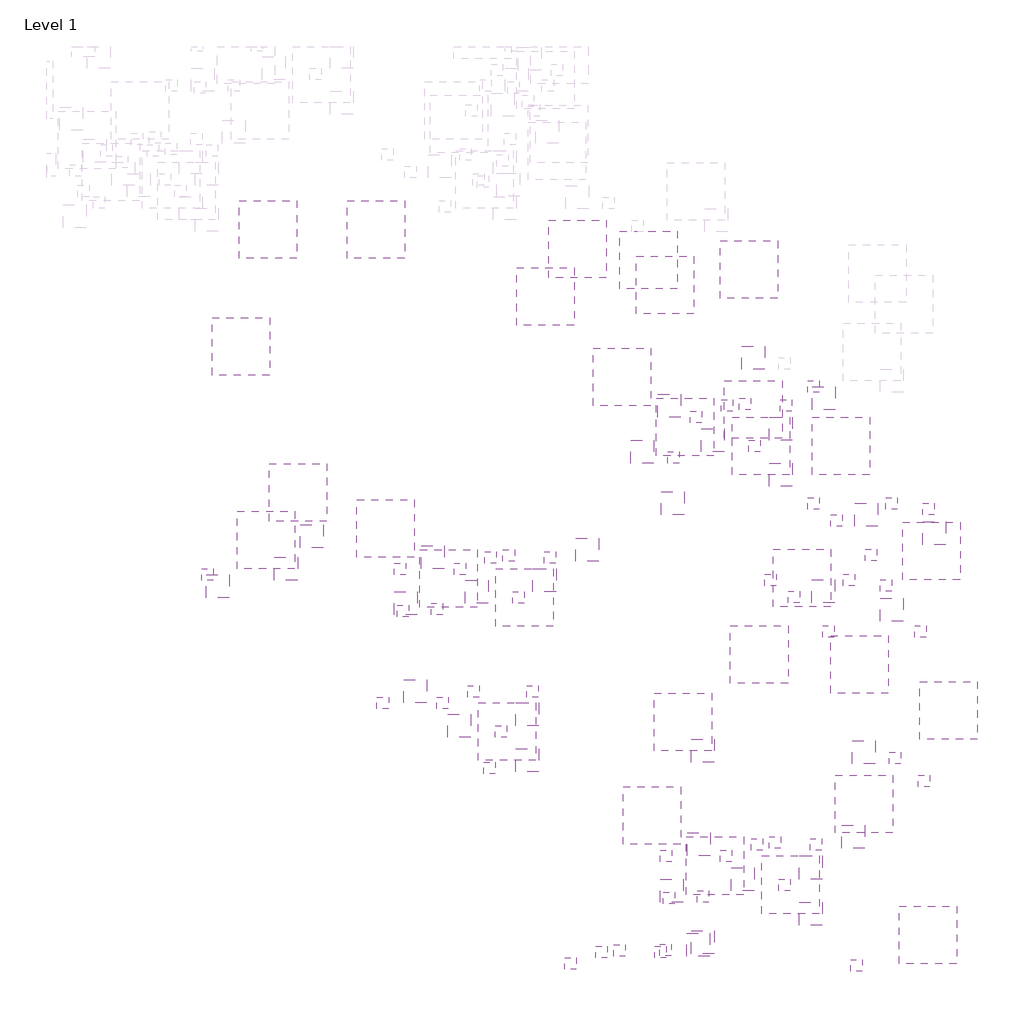
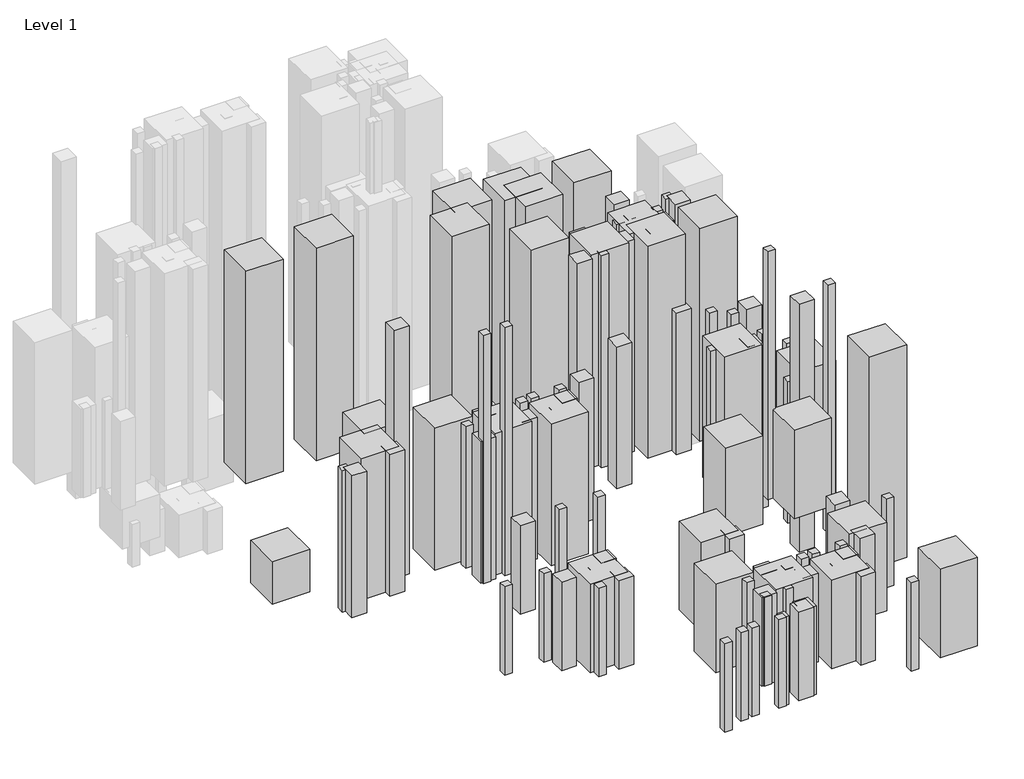
# One storey, part 9 of 16: 113 proxies.
"""IFC4 building model written with IfcOpenShell, lengths in millimetres."""

import ifcopenshell
import ifcopenshell.guid

model = None  # the IFC model being written
_history = None  # IfcOwnerHistory: only IFC2X3 demands one
_inside = {}  # id of a spatial element -> (the spatial element, [elements in it])
_under = {}  # id of a project, library or spatial element -> (it, [spatial elements below it])
_declared = {}  # id of a project -> (the project, [libraries it declares])
_typed = {}  # id of a type object -> (the type object, [elements of that type])
_made_of = {}  # id of a material, layer set ... -> (it, [elements and type objects made of it])


def new_model(schema):
    """Start an empty IFC model of exactly this schema.

    Asked for "IFC4X3", IfcOpenShell would pick the latest addendum, in which some entities
    have other attributes; the version numbers below select the first issue.
    IFC2X3 requires an IfcOwnerHistory on every rooted entity: one is made here for all.
    """
    global model, _history
    if schema == "IFC4X3":
        model = ifcopenshell.file(schema_version=(4, 3, 0, 0))
    else:
        model = ifcopenshell.file(schema=schema)
    _inside.clear()
    _under.clear()
    _declared.clear()
    _typed.clear()
    _made_of.clear()
    _history = None
    if model.schema == "IFC2X3":
        org = make("IfcOrganization", Name="unknown")
        user = make(
            "IfcPersonAndOrganization",
            ThePerson=make("IfcPerson", FamilyName="unknown"),
            TheOrganization=org,
        )
        app = make(
            "IfcApplication",
            ApplicationDeveloper=org,
            Version="unknown",
            ApplicationFullName="unknown",
            ApplicationIdentifier="unknown",
        )
        _history = make(
            "IfcOwnerHistory",
            OwningUser=user,
            OwningApplication=app,
            ChangeAction="ADDED",
            CreationDate=0,
        )
    return model


def make(cls, **values):
    """One entity of the class cls with the attributes given. An attribute that is None is left unset."""
    return model.create_entity(
        cls, **{name: value for name, value in values.items() if value is not None}
    )


def rooted(cls, **values):
    """An entity with a GlobalId (a new one), such as an element, a storey or a relation."""
    return make(cls, GlobalId=ifcopenshell.guid.new(), OwnerHistory=_history, **values)


def si_unit(unit_type, name, prefix=None):
    """IfcSIUnit, for example si_unit("LENGTHUNIT", "METRE", prefix="MILLI")."""
    return make("IfcSIUnit", UnitType=unit_type, Prefix=prefix, Name=name)


def assignment(units):
    """IfcUnitAssignment: the units of a project."""
    return None if units is None else make("IfcUnitAssignment", Units=units)


def point(xyz):
    """IfcCartesianPoint."""
    return None if xyz is None else make("IfcCartesianPoint", Coordinates=xyz)


def direction(xyz):
    """IfcDirection."""
    return None if xyz is None else make("IfcDirection", DirectionRatios=xyz)


def frame(location, z_axis=None, x_axis=None):
    """IfcAxis2Placement3D, a coordinate frame: its origin and axes. An axis left out is left unset."""
    return make(
        "IfcAxis2Placement3D",
        Location=point(location),
        Axis=direction(z_axis),
        RefDirection=direction(x_axis),
    )


def origin():
    """The frame at (0, 0, 0) with its axes left unset."""
    return frame((0.0, 0.0, 0.0))


def place(relative_to, where):
    """IfcLocalPlacement: puts the frame where relative to a parent placement (None: the world)."""
    return make(
        "IfcLocalPlacement", PlacementRelTo=relative_to, RelativePlacement=where
    )


def context(
    kind, dimensions, precision=None, world=None, true_north=None, identifier=None
):
    """IfcGeometricRepresentationContext, for example the 3D "Model" context."""
    return make(
        "IfcGeometricRepresentationContext",
        ContextIdentifier=identifier,
        ContextType=kind,
        CoordinateSpaceDimension=dimensions,
        Precision=precision,
        WorldCoordinateSystem=world,
        TrueNorth=true_north,
    )


def project(units=None, contexts=None):
    """IfcProject with its units and contexts."""
    return rooted(
        "IfcProject",
        Name="project",
        RepresentationContexts=contexts,
        UnitsInContext=assignment(units),
    )


def spatial(cls, under=None, at=None, **own):
    """A site, building, storey or space (cls), placed at a placement, below another one or the project."""
    s = rooted(cls, ObjectPlacement=at, **own)
    if under is not None:
        _under.setdefault(under.id(), (under, []))[1].append(s)
    return s


def polyline(points):
    """IfcPolyline through the points."""
    return make("IfcPolyline", Points=[point(p) for p in points])


def outline(outer, holes=None, kind="AREA"):
    """IfcArbitraryClosedProfileDef: a profile drawn as a closed curve; with holes, ...WithVoids."""
    if holes is None:
        return make("IfcArbitraryClosedProfileDef", ProfileType=kind, OuterCurve=outer)
    return make(
        "IfcArbitraryProfileDefWithVoids",
        ProfileType=kind,
        OuterCurve=outer,
        InnerCurves=holes,
    )


def extrude(swept, where, along, depth):
    """IfcExtrudedAreaSolid: the profile swept, set in the frame where, extruded along a direction by depth."""
    return make(
        "IfcExtrudedAreaSolid",
        SweptArea=swept,
        Position=where,
        ExtrudedDirection=direction(along),
        Depth=depth,
    )


def shape(context_of_items, identifier, shape_type, items):
    """IfcShapeRepresentation: the items that make up one representation, for example the "Body"."""
    return make(
        "IfcShapeRepresentation",
        ContextOfItems=context_of_items,
        RepresentationIdentifier=identifier,
        RepresentationType=shape_type,
        Items=items,
    )


def source(mapping_origin, context_of_items, identifier, shape_type, items):
    """IfcRepresentationMap: a shape defined once, which mapped items show again and again."""
    return make(
        "IfcRepresentationMap",
        MappingOrigin=mapping_origin,
        MappedRepresentation=shape(context_of_items, identifier, shape_type, items),
    )


def transform(
    local_origin,
    x_axis=None,
    y_axis=None,
    z_axis=None,
    scale=None,
    scale2=None,
    scale3=None,
    uniform=True,
):
    """IfcCartesianTransformationOperator3D, or its non-uniform kind. x_axis, y_axis, z_axis: its Axis1, 2, 3."""
    if uniform:
        return make(
            "IfcCartesianTransformationOperator3D",
            Axis1=direction(x_axis),
            Axis2=direction(y_axis),
            LocalOrigin=point(local_origin),
            Scale=scale,
            Axis3=direction(z_axis),
        )
    return make(
        "IfcCartesianTransformationOperator3DnonUniform",
        Axis1=direction(x_axis),
        Axis2=direction(y_axis),
        LocalOrigin=point(local_origin),
        Scale=scale,
        Axis3=direction(z_axis),
        Scale2=scale2,
        Scale3=scale3,
    )


def mapped(mapping_source, mapping_target):
    """IfcMappedItem: shows the shape of a source again, moved by a transform."""
    return make(
        "IfcMappedItem", MappingSource=mapping_source, MappingTarget=mapping_target
    )


def made_of(thing, what):
    """Note that an element or type object is made of a material, layer set ...; save() writes the relation."""
    if what is not None:
        _made_of.setdefault(what.id(), (what, []))[1].append(thing)
    return thing


def element(
    cls,
    number,
    at=None,
    inside=None,
    cuts=None,
    type_object=None,
    material=None,
    context=None,
    identifier="Body",
    shape_type=None,
    held_by="IfcProductDefinitionShape",
    body=None,
    shapes=None,
    **own,
):
    """One element of the class cls, such as IfcWall. Its Tag is "e" and its number.

    at: its placement. inside: the storey or other place that contains it. cuts: it is an
    opening in that element (IfcRelVoidsElement). A single representation is given by context,
    identifier, shape_type and body (its items); several are given by shapes. held_by: the class
    of the entity that holds the representations. save() writes the other relations.
    """
    e = rooted(cls, Tag="e%d" % number, ObjectPlacement=at, **own)
    if body is not None:
        shapes = [shape(context, identifier, shape_type, body)]
    if shapes is not None:
        e.Representation = make(held_by, Representations=shapes)
    if inside is not None:
        _inside.setdefault(inside.id(), (inside, []))[1].append(e)
    if cuts is not None:
        rooted(
            "IfcRelVoidsElement", RelatingBuildingElement=cuts, RelatedOpeningElement=e
        )
    if type_object is not None:
        _typed.setdefault(type_object.id(), (type_object, []))[1].append(e)
    return made_of(e, material)


def aggregate(whole, parts):
    """IfcRelAggregates: a whole, such as a stair, and the parts it consists of."""
    return rooted("IfcRelAggregates", RelatingObject=whole, RelatedObjects=parts)


def save(model, path):
    """Write the relations noted so far, then the file.

    IfcRelAggregates (storeys below a building ...), IfcRelContainedInSpatialStructure (elements
    in a storey), IfcRelDefinesByType, IfcRelAssociatesMaterial and IfcRelDeclares: one each for
    every whole, place, type object, material and project.
    """
    for whole, parts in _under.values():
        aggregate(whole, parts)
    for where, things in _inside.values():
        rooted(
            "IfcRelContainedInSpatialStructure",
            RelatedElements=things,
            RelatingStructure=where,
        )
    for kind, things in _typed.values():
        rooted("IfcRelDefinesByType", RelatedObjects=things, RelatingType=kind)
    for what, things in _made_of.values():
        rooted("IfcRelAssociatesMaterial", RelatedObjects=things, RelatingMaterial=what)
    for by, libraries in _declared.values():
        rooted("IfcRelDeclares", RelatingContext=by, RelatedDefinitions=libraries)
    model.write(path)


def parte1_ss_52922e38(model_context):
    return source(origin(), model_context, "Body", "SweptSolid", [
        extrude(outline(polyline([(2000.0, 2000.0), (2000.0, 0.0), (0.0, 0.0), (0.0, 2000.0), (2000.0, 2000.0)])), frame((0.0, 0.0, 5000.0), z_axis=(0.0, 0.0, 1.0), x_axis=(1.0, 0.0, 0.0)), (0.0, 0.0, 1.0), 40000.0),
    ])


def parte1_ss_b3a96ab1(model_context):
    return source(origin(), model_context, "Body", "SweptSolid", [
        extrude(outline(polyline([(4000.0, 4000.0), (4000.0, 0.0), (0.0, 0.0), (0.0, 4000.0), (4000.0, 4000.0)])), frame((0.0, 0.0, 5000.0), z_axis=(0.0, 0.0, 1.0), x_axis=(1.0, 0.0, 0.0)), (0.0, 0.0, 1.0), 40000.0),
    ])


def parte1_ss_e08f58c2(model_context):
    return source(origin(), model_context, "Body", "SweptSolid", [
        extrude(outline(polyline([(10000.0, 10000.0), (10000.0, 0.0), (0.0, 0.0), (0.0, 10000.0), (10000.0, 10000.0)])), frame((0.0, 0.0, 5000.0), z_axis=(0.0, 0.0, 1.0), x_axis=(1.0, 0.0, 0.0)), (0.0, 0.0, 1.0), 12000.0),
    ])


def parte1_ss_9c692bf8(model_context):
    return source(origin(), model_context, "Body", "SweptSolid", [
        extrude(outline(polyline([(4000.0, 4000.0), (4000.0, 0.0), (0.0, 0.0), (0.0, 4000.0), (4000.0, 4000.0)])), frame((0.0, 0.0, 5000.0), z_axis=(0.0, 0.0, 1.0), x_axis=(1.0, 0.0, 0.0)), (0.0, 0.0, 1.0), 70000.0),
    ])


def parte1_ss_d8541341(model_context):
    return source(origin(), model_context, "Body", "SweptSolid", [
        extrude(outline(polyline([(2000.0, 2000.0), (2000.0, 0.0), (0.0, 0.0), (0.0, 2000.0), (2000.0, 2000.0)])), frame((0.0, 0.0, 5000.0), z_axis=(0.0, 0.0, 1.0), x_axis=(1.0, 0.0, 0.0)), (0.0, 0.0, 1.0), 25000.0),
    ])


def parte1_ss_dea70e28(model_context):
    return source(origin(), model_context, "Body", "SweptSolid", [
        extrude(outline(polyline([(10000.0, 10000.0), (10000.0, 0.0), (0.0, 0.0), (0.0, 10000.0), (10000.0, 10000.0)])), frame((0.0, 0.0, 10000.0), z_axis=(0.0, 0.0, 1.0), x_axis=(1.0, 0.0, 0.0)), (0.0, 0.0, 1.0), 60000.0),
    ])


def parte1_ss_1f0d18f0(model_context):
    return source(origin(), model_context, "Body", "SweptSolid", [
        extrude(outline(polyline([(2000.0, 2000.0), (2000.0, 0.0), (0.0, 0.0), (0.0, 2000.0), (2000.0, 2000.0)])), frame((0.0, 0.0, 10000.0), z_axis=(0.0, 0.0, 1.0), x_axis=(1.0, 0.0, 0.0)), (0.0, 0.0, 1.0), 40000.0),
    ])


def parte1_ss_80fa0fae(model_context):
    return source(origin(), model_context, "Body", "SweptSolid", [
        extrude(outline(polyline([(10000.0, 10000.0), (10000.0, 0.0), (0.0, 0.0), (0.0, 10000.0), (10000.0, 10000.0)])), frame((0.0, 0.0, 10000.0), z_axis=(0.0, 0.0, 1.0), x_axis=(1.0, 0.0, 0.0)), (0.0, 0.0, 1.0), 40000.0),
    ])


def parte1_ss_bfecec6a(model_context):
    return source(origin(), model_context, "Body", "SweptSolid", [
        extrude(outline(polyline([(2000.0, 2000.0), (2000.0, 0.0), (0.0, 0.0), (0.0, 2000.0), (2000.0, 2000.0)])), frame((0.0, 0.0, 10000.0), z_axis=(0.0, 0.0, 1.0), x_axis=(1.0, 0.0, 0.0)), (0.0, 0.0, 1.0), 70000.0),
    ])


def parte1_ss_f3847808(model_context):
    return source(origin(), model_context, "Body", "SweptSolid", [
        extrude(outline(polyline([(2000.0, 2000.0), (2000.0, 0.0), (0.0, 0.0), (0.0, 2000.0), (2000.0, 2000.0)])), frame((0.0, 0.0, 10000.0), z_axis=(0.0, 0.0, 1.0), x_axis=(1.0, 0.0, 0.0)), (0.0, 0.0, 1.0), 25000.0),
    ])


def parte1_ss_642e1760(model_context):
    return source(origin(), model_context, "Body", "SweptSolid", [
        extrude(outline(polyline([(10000.0, 10000.0), (10000.0, 0.0), (0.0, 0.0), (0.0, 10000.0), (10000.0, 10000.0)])), frame((0.0, 0.0, 10000.0), z_axis=(0.0, 0.0, 1.0), x_axis=(1.0, 0.0, 0.0)), (0.0, 0.0, 1.0), 25000.0),
    ])


def parte1_ss_b65bba72(model_context):
    return source(origin(), model_context, "Body", "SweptSolid", [
        extrude(outline(polyline([(4000.0, 4000.0), (4000.0, 0.0), (0.0, 0.0), (0.0, 4000.0), (4000.0, 4000.0)])), frame((0.0, 0.0, 10000.0), z_axis=(0.0, 0.0, 1.0), x_axis=(1.0, 0.0, 0.0)), (0.0, 0.0, 1.0), 25000.0),
    ])


def parte1_ss_e06bf4f3(model_context):
    return source(origin(), model_context, "Body", "SweptSolid", [
        extrude(outline(polyline([(2000.0, 2000.0), (2000.0, 0.0), (0.0, 0.0), (0.0, 2000.0), (2000.0, 2000.0)])), frame((0.0, 0.0, 25000.0), z_axis=(0.0, 0.0, 1.0), x_axis=(1.0, 0.0, 0.0)), (0.0, 0.0, 1.0), 60000.0),
    ])


def parte1_ss_4bb62a88(model_context):
    return source(origin(), model_context, "Body", "SweptSolid", [
        extrude(outline(polyline([(4000.0, 4000.0), (4000.0, 0.0), (0.0, 0.0), (0.0, 4000.0), (4000.0, 4000.0)])), frame((0.0, 0.0, 25000.0), z_axis=(0.0, 0.0, 1.0), x_axis=(1.0, 0.0, 0.0)), (0.0, 0.0, 1.0), 60000.0),
    ])


def parte1_ss_c5f6cec1(model_context):
    return source(origin(), model_context, "Body", "SweptSolid", [
        extrude(outline(polyline([(10000.0, 10000.0), (10000.0, 0.0), (0.0, 0.0), (0.0, 10000.0), (10000.0, 10000.0)])), frame((0.0, 0.0, 25000.0), z_axis=(0.0, 0.0, 1.0), x_axis=(1.0, 0.0, 0.0)), (0.0, 0.0, 1.0), 60000.0),
    ])


def parte1_ss_d79c1c34(model_context):
    return source(origin(), model_context, "Body", "SweptSolid", [
        extrude(outline(polyline([(2000.0, 2000.0), (2000.0, 0.0), (0.0, 0.0), (0.0, 2000.0), (2000.0, 2000.0)])), frame((0.0, 0.0, 25000.0), z_axis=(0.0, 0.0, 1.0), x_axis=(1.0, 0.0, 0.0)), (0.0, 0.0, 1.0), 40000.0),
    ])


def parte1_ss_7b2578bf(model_context):
    return source(origin(), model_context, "Body", "SweptSolid", [
        extrude(outline(polyline([(4000.0, 4000.0), (4000.0, 0.0), (0.0, 0.0), (0.0, 4000.0), (4000.0, 4000.0)])), frame((0.0, 0.0, 25000.0), z_axis=(0.0, 0.0, 1.0), x_axis=(1.0, 0.0, 0.0)), (0.0, 0.0, 1.0), 40000.0),
    ])


def parte1_ss_2dc1ccb3(model_context):
    return source(origin(), model_context, "Body", "SweptSolid", [
        extrude(outline(polyline([(10000.0, 10000.0), (10000.0, 0.0), (0.0, 0.0), (0.0, 10000.0), (10000.0, 10000.0)])), frame((0.0, 0.0, 25000.0), z_axis=(0.0, 0.0, 1.0), x_axis=(1.0, 0.0, 0.0)), (0.0, 0.0, 1.0), 40000.0),
    ])


def parte1_ss_2f6e3117(model_context):
    return source(origin(), model_context, "Body", "SweptSolid", [
        extrude(outline(polyline([(4000.0, 4000.0), (4000.0, 0.0), (0.0, 0.0), (0.0, 4000.0), (4000.0, 4000.0)])), frame((0.0, 0.0, 25000.0), z_axis=(0.0, 0.0, 1.0), x_axis=(1.0, 0.0, 0.0)), (0.0, 0.0, 1.0), 70000.0),
    ])


def parte1_ss_59095d48(model_context):
    return source(origin(), model_context, "Body", "SweptSolid", [
        extrude(outline(polyline([(2000.0, 2000.0), (2000.0, 0.0), (0.0, 0.0), (0.0, 2000.0), (2000.0, 2000.0)])), frame((0.0, 0.0, 25000.0), z_axis=(0.0, 0.0, 1.0), x_axis=(1.0, 0.0, 0.0)), (0.0, 0.0, 1.0), 70000.0),
    ])


def parte1_ss_82ec97d5(model_context):
    return source(origin(), model_context, "Body", "SweptSolid", [
        extrude(outline(polyline([(10000.0, 10000.0), (10000.0, 0.0), (0.0, 0.0), (0.0, 10000.0), (10000.0, 10000.0)])), frame((0.0, 0.0, 25000.0), z_axis=(0.0, 0.0, 1.0), x_axis=(1.0, 0.0, 0.0)), (0.0, 0.0, 1.0), 25000.0),
    ])


def parte1_ss_99d72546(model_context):
    return source(origin(), model_context, "Body", "SweptSolid", [
        extrude(outline(polyline([(4000.0, 4000.0), (4000.0, 0.0), (0.0, 0.0), (0.0, 4000.0), (4000.0, 4000.0)])), frame((0.0, 0.0, 25000.0), z_axis=(0.0, 0.0, 1.0), x_axis=(1.0, 0.0, 0.0)), (0.0, 0.0, 1.0), 25000.0),
    ])


def parte1_ss_283a22fb(model_context):
    return source(origin(), model_context, "Body", "SweptSolid", [
        extrude(outline(polyline([(2000.0, 2000.0), (2000.0, 0.0), (0.0, 0.0), (0.0, 2000.0), (2000.0, 2000.0)])), frame((0.0, 0.0, 25000.0), z_axis=(0.0, 0.0, 1.0), x_axis=(1.0, 0.0, 0.0)), (0.0, 0.0, 1.0), 25000.0),
    ])


model = new_model("IFC4")

# Units and contexts
model_context = context("Model", 3, world=origin())
ifc_project = project(units=[si_unit("LENGTHUNIT", "METRE", prefix="MILLI")], contexts=[model_context])

# Site, building, storey
site = spatial("IfcSite", under=ifc_project)
building = spatial("IfcBuilding", under=site)
storey = spatial("IfcBuildingStorey", under=building, Name="Level 1", Elevation=0.0)

# Proxies
placement = place(None, origin())
parte1_ss_shape = parte1_ss_52922e38(model_context)
element("IfcBuildingElementProxy", 1, Name="Parte1-SS", ObjectType="Parte1-SS", at=placement, inside=storey, context=model_context, shape_type="MappedRepresentation", body=[
    mapped(parte1_ss_shape, transform((249429.2048967, 80506.0492341, 0.0), x_axis=(1.0, 0.0, 0.0), y_axis=(0.0, 1.0, 0.0), z_axis=(0.0, 0.0, 1.0))),
])
parte1_ss_2_shape = parte1_ss_b3a96ab1(model_context)
element("IfcBuildingElementProxy", 2, Name="Parte1-SS", ObjectType="Parte1-SS", at=placement, inside=storey, context=model_context, shape_type="MappedRepresentation", body=[
    mapped(parte1_ss_2_shape, transform((255837.1156993, 74306.0492341, 0.0), x_axis=(1.0, 0.0, 0.0), y_axis=(0.0, 1.0, 0.0), z_axis=(0.0, 0.0, 1.0))),
])
parte1_ss_3_shape = parte1_ss_e08f58c2(model_context)
element("IfcBuildingElementProxy", 3, Name="Parte1-SS", ObjectType="Parte1-SS", at=placement, inside=storey, context=model_context, shape_type="MappedRepresentation", body=[
    mapped(parte1_ss_3_shape, transform((132283.9522086, 103810.8492341, 0.0), x_axis=(1.0, 0.0, 0.0), y_axis=(0.0, 1.0, 0.0), z_axis=(0.0, 0.0, 1.0))),
])
parte1_ss_4_shape = parte1_ss_9c692bf8(model_context)
element("IfcBuildingElementProxy", 4, Name="Parte1-SS", ObjectType="Parte1-SS", at=placement, inside=storey, context=model_context, shape_type="MappedRepresentation", body=[
    mapped(parte1_ss_4_shape, transform((248396.5715488, 61001.2492341, 0.0), x_axis=(1.0, 0.0, 0.0), y_axis=(0.0, 1.0, 0.0), z_axis=(0.0, 0.0, 1.0))),
])
parte1_ss_5_shape = parte1_ss_d8541341(model_context)
element("IfcBuildingElementProxy", 5, Name="Parte1-SS", ObjectType="Parte1-SS", at=placement, inside=storey, context=model_context, shape_type="MappedRepresentation", body=[
    mapped(parte1_ss_5_shape, transform((250011.5740074, 36201.2492341, 0.0), x_axis=(1.0, 0.0, 0.0), y_axis=(0.0, 1.0, 0.0), z_axis=(0.0, 0.0, 1.0))),
])
parte1_ss_6_shape = parte1_ss_dea70e28(model_context)
element("IfcBuildingElementProxy", 6, Name="Parte1-SS", ObjectType="Parte1-SS", at=placement, inside=storey, context=model_context, shape_type="MappedRepresentation", body=[
    mapped(parte1_ss_6_shape, transform((255330.5801039, 40506.0492341, 0.0), x_axis=(1.0, 0.0, 0.0), y_axis=(0.0, 1.0, 0.0), z_axis=(0.0, 0.0, 1.0))),
])
parte1_ss_7_shape = parte1_ss_1f0d18f0(model_context)
element("IfcBuildingElementProxy", 7, Name="Parte1-SS", ObjectType="Parte1-SS", at=placement, inside=storey, context=model_context, shape_type="MappedRepresentation", body=[
    mapped(parte1_ss_7_shape, transform((255837.1156993, 79506.0492341, 0.0), x_axis=(1.0, 0.0, 0.0), y_axis=(0.0, 1.0, 0.0), z_axis=(0.0, 0.0, 1.0))),
])
element("IfcBuildingElementProxy", 8, Name="Parte1-SS", ObjectType="Parte1-SS", at=placement, inside=storey, context=model_context, shape_type="MappedRepresentation", body=[
    mapped(parte1_ss_7_shape, transform((248396.5715488, 66201.2492341, 0.0), x_axis=(1.0, 0.0, 0.0), y_axis=(0.0, 1.0, 0.0), z_axis=(0.0, 0.0, 1.0))),
])
parte1_ss_8_shape = parte1_ss_80fa0fae(model_context)
element("IfcBuildingElementProxy", 9, Name="Parte1-SS", ObjectType="Parte1-SS", at=placement, inside=storey, context=model_context, shape_type="MappedRepresentation", body=[
    mapped(parte1_ss_8_shape, transform((252318.1002576, 68201.2492341, 0.0), x_axis=(1.0, 0.0, 0.0), y_axis=(0.0, 1.0, 0.0), z_axis=(0.0, 0.0, 1.0))),
])
parte1_ss_9_shape = parte1_ss_bfecec6a(model_context)
element("IfcBuildingElementProxy", 10, Name="Parte1-SS", ObjectType="Parte1-SS", at=placement, inside=storey, context=model_context, shape_type="MappedRepresentation", body=[
    mapped(parte1_ss_9_shape, transform((254396.5715488, 58201.2492341, 0.0), x_axis=(1.0, 0.0, 0.0), y_axis=(0.0, 1.0, 0.0), z_axis=(0.0, 0.0, 1.0))),
])
parte1_ss_10_shape = parte1_ss_f3847808(model_context)
element("IfcBuildingElementProxy", 11, Name="Parte1-SS", ObjectType="Parte1-SS", at=placement, inside=storey, context=model_context, shape_type="MappedRepresentation", body=[
    mapped(parte1_ss_10_shape, transform((160947.9249734, 45810.8492341, 0.0), x_axis=(1.0, 0.0, 0.0), y_axis=(0.0, 1.0, 0.0), z_axis=(0.0, 0.0, 1.0))),
])
element("IfcBuildingElementProxy", 12, Name="Parte1-SS", ObjectType="Parte1-SS", at=placement, inside=storey, context=model_context, shape_type="MappedRepresentation", body=[
    mapped(parte1_ss_10_shape, transform((171345.3899529, 45810.8492341, 0.0), x_axis=(1.0, 0.0, 0.0), y_axis=(0.0, 1.0, 0.0), z_axis=(0.0, 0.0, 1.0))),
])
element("IfcBuildingElementProxy", 13, Name="Parte1-SS", ObjectType="Parte1-SS", at=placement, inside=storey, context=model_context, shape_type="MappedRepresentation", body=[
    mapped(parte1_ss_10_shape, transform((181520.0204716, 40810.8492341, 0.0), x_axis=(1.0, 0.0, 0.0), y_axis=(0.0, 1.0, 0.0), z_axis=(0.0, 0.0, 1.0))),
])
element("IfcBuildingElementProxy", 14, Name="Parte1-SS", ObjectType="Parte1-SS", at=placement, inside=storey, context=model_context, shape_type="MappedRepresentation", body=[
    mapped(parte1_ss_10_shape, transform((179539.1883545, 34506.0492341, 0.0), x_axis=(1.0, 0.0, 0.0), y_axis=(0.0, 1.0, 0.0), z_axis=(0.0, 0.0, 1.0))),
])
element("IfcBuildingElementProxy", 15, Name="Parte1-SS", ObjectType="Parte1-SS", at=placement, inside=storey, context=model_context, shape_type="MappedRepresentation", body=[
    mapped(parte1_ss_10_shape, transform((202105.9320627, 2810.8492341, 0.0), x_axis=(1.0, 0.0, 0.0), y_axis=(0.0, 1.0, 0.0), z_axis=(0.0, 0.0, 1.0))),
])
element("IfcBuildingElementProxy", 16, Name="Parte1-SS", ObjectType="Parte1-SS", at=placement, inside=storey, context=model_context, shape_type="MappedRepresentation", body=[
    mapped(parte1_ss_10_shape, transform((198975.7294069, 2506.0492341, 0.0), x_axis=(1.0, 0.0, 0.0), y_axis=(0.0, 1.0, 0.0), z_axis=(0.0, 0.0, 1.0))),
])
element("IfcBuildingElementProxy", 17, Name="Parte1-SS", ObjectType="Parte1-SS", at=placement, inside=storey, context=model_context, shape_type="MappedRepresentation", body=[
    mapped(parte1_ss_10_shape, transform((193612.4800661, 506.0492341, 0.0), x_axis=(1.0, 0.0, 0.0), y_axis=(0.0, 1.0, 0.0), z_axis=(0.0, 0.0, 1.0))),
])
element("IfcBuildingElementProxy", 18, Name="Parte1-SS", ObjectType="Parte1-SS", at=placement, inside=storey, context=model_context, shape_type="MappedRepresentation", body=[
    mapped(parte1_ss_10_shape, transform((209246.8226182, 2506.0492341, 0.0), x_axis=(1.0, 0.0, 0.0), y_axis=(0.0, 1.0, 0.0), z_axis=(0.0, 0.0, 1.0))),
])
element("IfcBuildingElementProxy", 19, Name="Parte1-SS", ObjectType="Parte1-SS", at=placement, inside=storey, context=model_context, shape_type="MappedRepresentation", body=[
    mapped(parte1_ss_10_shape, transform((255045.7896462, 32201.2492341, 0.0), x_axis=(1.0, 0.0, 0.0), y_axis=(0.0, 1.0, 0.0), z_axis=(0.0, 0.0, 1.0))),
])
element("IfcBuildingElementProxy", 20, Name="Parte1-SS", ObjectType="Parte1-SS", at=placement, inside=storey, context=model_context, shape_type="MappedRepresentation", body=[
    mapped(parte1_ss_10_shape, transform((243277.6598498, 201.2492341, 0.0), x_axis=(1.0, 0.0, 0.0), y_axis=(0.0, 1.0, 0.0), z_axis=(0.0, 0.0, 1.0))),
])
element("IfcBuildingElementProxy", 21, Name="Parte1-SS", ObjectType="Parte1-SS", at=placement, inside=storey, context=model_context, shape_type="MappedRepresentation", body=[
    mapped(parte1_ss_10_shape, transform((210718.1235477, 11896.4492341, 0.0), x_axis=(1.0, 0.0, 0.0), y_axis=(0.0, 1.0, 0.0), z_axis=(0.0, 0.0, 1.0))),
])
element("IfcBuildingElementProxy", 22, Name="Parte1-SS", ObjectType="Parte1-SS", at=placement, inside=storey, context=model_context, shape_type="MappedRepresentation", body=[
    mapped(parte1_ss_10_shape, transform((210070.4990238, 2896.4492341, 0.0), x_axis=(1.0, 0.0, 0.0), y_axis=(0.0, 1.0, 0.0), z_axis=(0.0, 0.0, 1.0))),
])
element("IfcBuildingElementProxy", 23, Name="Parte1-SS", ObjectType="Parte1-SS", at=placement, inside=storey, context=model_context, shape_type="MappedRepresentation", body=[
    mapped(parte1_ss_10_shape, transform((229118.2272904, 21506.0492341, 0.0), x_axis=(1.0, 0.0, 0.0), y_axis=(0.0, 1.0, 0.0), z_axis=(0.0, 0.0, 1.0))),
])
element("IfcBuildingElementProxy", 24, Name="Parte1-SS", ObjectType="Parte1-SS", at=placement, inside=storey, context=model_context, shape_type="MappedRepresentation", body=[
    mapped(parte1_ss_10_shape, transform((210227.3103143, 19201.2492341, 0.0), x_axis=(1.0, 0.0, 0.0), y_axis=(0.0, 1.0, 0.0), z_axis=(0.0, 0.0, 1.0))),
])
element("IfcBuildingElementProxy", 25, Name="Parte1-SS", ObjectType="Parte1-SS", at=placement, inside=storey, context=model_context, shape_type="MappedRepresentation", body=[
    mapped(parte1_ss_10_shape, transform((216643.467501, 12201.2492341, 0.0), x_axis=(1.0, 0.0, 0.0), y_axis=(0.0, 1.0, 0.0), z_axis=(0.0, 0.0, 1.0))),
])
element("IfcBuildingElementProxy", 26, Name="Parte1-SS", ObjectType="Parte1-SS", at=placement, inside=storey, context=model_context, shape_type="MappedRepresentation", body=[
    mapped(parte1_ss_10_shape, transform((225988.0246345, 21201.2492341, 0.0), x_axis=(1.0, 0.0, 0.0), y_axis=(0.0, 1.0, 0.0), z_axis=(0.0, 0.0, 1.0))),
])
element("IfcBuildingElementProxy", 27, Name="Parte1-SS", ObjectType="Parte1-SS", at=placement, inside=storey, context=model_context, shape_type="MappedRepresentation", body=[
    mapped(parte1_ss_10_shape, transform((220624.7752938, 19201.2492341, 0.0), x_axis=(1.0, 0.0, 0.0), y_axis=(0.0, 1.0, 0.0), z_axis=(0.0, 0.0, 1.0))),
])
element("IfcBuildingElementProxy", 28, Name="Parte1-SS", ObjectType="Parte1-SS", at=placement, inside=storey, context=model_context, shape_type="MappedRepresentation", body=[
    mapped(parte1_ss_10_shape, transform((230799.4058125, 14201.2492341, 0.0), x_axis=(1.0, 0.0, 0.0), y_axis=(0.0, 1.0, 0.0), z_axis=(0.0, 0.0, 1.0))),
])
element("IfcBuildingElementProxy", 29, Name="Parte1-SS", ObjectType="Parte1-SS", at=placement, inside=storey, context=model_context, shape_type="MappedRepresentation", body=[
    mapped(parte1_ss_10_shape, transform((236259.1178459, 21201.2492341, 0.0), x_axis=(1.0, 0.0, 0.0), y_axis=(0.0, 1.0, 0.0), z_axis=(0.0, 0.0, 1.0))),
])
parte1_ss_11_shape = parte1_ss_642e1760(model_context)
element("IfcBuildingElementProxy", 30, Name="Parte1-SS", ObjectType="Parte1-SS", at=placement, inside=storey, context=model_context, shape_type="MappedRepresentation", body=[
    mapped(parte1_ss_11_shape, transform((178577.1598577, 36810.8492341, 0.0), x_axis=(1.0, 0.0, 0.0), y_axis=(0.0, 1.0, 0.0), z_axis=(0.0, 0.0, 1.0))),
])
element("IfcBuildingElementProxy", 31, Name="Parte1-SS", ObjectType="Parte1-SS", at=placement, inside=storey, context=model_context, shape_type="MappedRepresentation", body=[
    mapped(parte1_ss_11_shape, transform((240608.0564694, 24201.2492341, 0.0), x_axis=(1.0, 0.0, 0.0), y_axis=(0.0, 1.0, 0.0), z_axis=(0.0, 0.0, 1.0))),
])
element("IfcBuildingElementProxy", 32, Name="Parte1-SS", ObjectType="Parte1-SS", at=placement, inside=storey, context=model_context, shape_type="MappedRepresentation", body=[
    mapped(parte1_ss_11_shape, transform((209108.470527, 38506.0492341, 0.0), x_axis=(1.0, 0.0, 0.0), y_axis=(0.0, 1.0, 0.0), z_axis=(0.0, 0.0, 1.0))),
])
element("IfcBuildingElementProxy", 33, Name="Parte1-SS", ObjectType="Parte1-SS", at=placement, inside=storey, context=model_context, shape_type="MappedRepresentation", body=[
    mapped(parte1_ss_11_shape, transform((214680.4941135, 13506.0492341, 0.0), x_axis=(1.0, 0.0, 0.0), y_axis=(0.0, 1.0, 0.0), z_axis=(0.0, 0.0, 1.0))),
])
element("IfcBuildingElementProxy", 34, Name="Parte1-SS", ObjectType="Parte1-SS", at=placement, inside=storey, context=model_context, shape_type="MappedRepresentation", body=[
    mapped(parte1_ss_11_shape, transform((203720.9345213, 22201.2492341, 0.0), x_axis=(1.0, 0.0, 0.0), y_axis=(0.0, 1.0, 0.0), z_axis=(0.0, 0.0, 1.0))),
])
element("IfcBuildingElementProxy", 35, Name="Parte1-SS", ObjectType="Parte1-SS", at=placement, inside=storey, context=model_context, shape_type="MappedRepresentation", body=[
    mapped(parte1_ss_11_shape, transform((227856.5451985, 10201.2492341, 0.0), x_axis=(1.0, 0.0, 0.0), y_axis=(0.0, 1.0, 0.0), z_axis=(0.0, 0.0, 1.0))),
])
element("IfcBuildingElementProxy", 36, Name="Parte1-SS", ObjectType="Parte1-SS", at=placement, inside=storey, context=model_context, shape_type="MappedRepresentation", body=[
    mapped(parte1_ss_11_shape, transform((251715.3930267, 1506.0492341, 0.0), x_axis=(1.0, 0.0, 0.0), y_axis=(0.0, 1.0, 0.0), z_axis=(0.0, 0.0, 1.0))),
])
parte1_ss_12_shape = parte1_ss_b65bba72(model_context)
element("IfcBuildingElementProxy", 37, Name="Parte1-SS", ObjectType="Parte1-SS", at=placement, inside=storey, context=model_context, shape_type="MappedRepresentation", body=[
    mapped(parte1_ss_12_shape, transform((173248.5243925, 40810.8492341, 0.0), x_axis=(1.0, 0.0, 0.0), y_axis=(0.0, 1.0, 0.0), z_axis=(0.0, 0.0, 1.0))),
])
element("IfcBuildingElementProxy", 38, Name="Parte1-SS", ObjectType="Parte1-SS", at=placement, inside=storey, context=model_context, shape_type="MappedRepresentation", body=[
    mapped(parte1_ss_12_shape, transform((185053.1996353, 34810.8492341, 0.0), x_axis=(1.0, 0.0, 0.0), y_axis=(0.0, 1.0, 0.0), z_axis=(0.0, 0.0, 1.0))),
])
element("IfcBuildingElementProxy", 39, Name="Parte1-SS", ObjectType="Parte1-SS", at=placement, inside=storey, context=model_context, shape_type="MappedRepresentation", body=[
    mapped(parte1_ss_12_shape, transform((185053.1996353, 42810.8492341, 0.0), x_axis=(1.0, 0.0, 0.0), y_axis=(0.0, 1.0, 0.0), z_axis=(0.0, 0.0, 1.0))),
])
element("IfcBuildingElementProxy", 40, Name="Parte1-SS", ObjectType="Parte1-SS", at=placement, inside=storey, context=model_context, shape_type="MappedRepresentation", body=[
    mapped(parte1_ss_12_shape, transform((214760.833899, 2810.8492341, 0.0), x_axis=(1.0, 0.0, 0.0), y_axis=(0.0, 1.0, 0.0), z_axis=(0.0, 0.0, 1.0))),
])
element("IfcBuildingElementProxy", 41, Name="Parte1-SS", ObjectType="Parte1-SS", at=placement, inside=storey, context=model_context, shape_type="MappedRepresentation", body=[
    mapped(parte1_ss_12_shape, transform((243595.4168207, 36201.2492341, 0.0), x_axis=(1.0, 0.0, 0.0), y_axis=(0.0, 1.0, 0.0), z_axis=(0.0, 0.0, 1.0))),
])
element("IfcBuildingElementProxy", 42, Name="Parte1-SS", ObjectType="Parte1-SS", at=placement, inside=storey, context=model_context, shape_type="MappedRepresentation", body=[
    mapped(parte1_ss_12_shape, transform((215584.5103046, 3201.2492341, 0.0), x_axis=(1.0, 0.0, 0.0), y_axis=(0.0, 1.0, 0.0), z_axis=(0.0, 0.0, 1.0))),
])
element("IfcBuildingElementProxy", 43, Name="Parte1-SS", ObjectType="Parte1-SS", at=placement, inside=storey, context=model_context, shape_type="MappedRepresentation", body=[
    mapped(parte1_ss_12_shape, transform((215584.5103046, 36506.0492341, 0.0), x_axis=(1.0, 0.0, 0.0), y_axis=(0.0, 1.0, 0.0), z_axis=(0.0, 0.0, 1.0))),
])
element("IfcBuildingElementProxy", 44, Name="Parte1-SS", ObjectType="Parte1-SS", at=placement, inside=storey, context=model_context, shape_type="MappedRepresentation", body=[
    mapped(parte1_ss_12_shape, transform((241773.1291267, 21506.0492341, 0.0), x_axis=(1.0, 0.0, 0.0), y_axis=(0.0, 1.0, 0.0), z_axis=(0.0, 0.0, 1.0))),
])
element("IfcBuildingElementProxy", 45, Name="Parte1-SS", ObjectType="Parte1-SS", at=placement, inside=storey, context=model_context, shape_type="MappedRepresentation", body=[
    mapped(parte1_ss_12_shape, transform((210227.3103143, 12201.2492341, 0.0), x_axis=(1.0, 0.0, 0.0), y_axis=(0.0, 1.0, 0.0), z_axis=(0.0, 0.0, 1.0))),
])
element("IfcBuildingElementProxy", 46, Name="Parte1-SS", ObjectType="Parte1-SS", at=placement, inside=storey, context=model_context, shape_type="MappedRepresentation", body=[
    mapped(parte1_ss_12_shape, transform((214917.2171506, 20201.2492341, 0.0), x_axis=(1.0, 0.0, 0.0), y_axis=(0.0, 1.0, 0.0), z_axis=(0.0, 0.0, 1.0))),
])
element("IfcBuildingElementProxy", 47, Name="Parte1-SS", ObjectType="Parte1-SS", at=placement, inside=storey, context=model_context, shape_type="MappedRepresentation", body=[
    mapped(parte1_ss_12_shape, transform((222527.9097333, 14201.2492341, 0.0), x_axis=(1.0, 0.0, 0.0), y_axis=(0.0, 1.0, 0.0), z_axis=(0.0, 0.0, 1.0))),
])
element("IfcBuildingElementProxy", 48, Name="Parte1-SS", ObjectType="Parte1-SS", at=placement, inside=storey, context=model_context, shape_type="MappedRepresentation", body=[
    mapped(parte1_ss_12_shape, transform((234332.5849762, 8201.2492341, 0.0), x_axis=(1.0, 0.0, 0.0), y_axis=(0.0, 1.0, 0.0), z_axis=(0.0, 0.0, 1.0))),
])
element("IfcBuildingElementProxy", 49, Name="Parte1-SS", ObjectType="Parte1-SS", at=placement, inside=storey, context=model_context, shape_type="MappedRepresentation", body=[
    mapped(parte1_ss_12_shape, transform((234332.5849762, 16201.2492341, 0.0), x_axis=(1.0, 0.0, 0.0), y_axis=(0.0, 1.0, 0.0), z_axis=(0.0, 0.0, 1.0))),
])
parte1_ss_13_shape = parte1_ss_e06bf4f3(model_context)
element("IfcBuildingElementProxy", 50, Name="Parte1-SS", ObjectType="Parte1-SS", at=placement, inside=storey, context=model_context, shape_type="MappedRepresentation", body=[
    mapped(parte1_ss_13_shape, transform((223927.603596, 97810.8492341, 0.0), x_axis=(1.0, 0.0, 0.0), y_axis=(0.0, 1.0, 0.0), z_axis=(0.0, 0.0, 1.0))),
])
element("IfcBuildingElementProxy", 51, Name="Parte1-SS", ObjectType="Parte1-SS", at=placement, inside=storey, context=model_context, shape_type="MappedRepresentation", body=[
    mapped(parte1_ss_13_shape, transform((211452.8438066, 88506.0492341, 0.0), x_axis=(1.0, 0.0, 0.0), y_axis=(0.0, 1.0, 0.0), z_axis=(0.0, 0.0, 1.0))),
])
element("IfcBuildingElementProxy", 52, Name="Parte1-SS", ObjectType="Parte1-SS", at=placement, inside=storey, context=model_context, shape_type="MappedRepresentation", body=[
    mapped(parte1_ss_13_shape, transform((220797.4009402, 97506.0492341, 0.0), x_axis=(1.0, 0.0, 0.0), y_axis=(0.0, 1.0, 0.0), z_axis=(0.0, 0.0, 1.0))),
])
element("IfcBuildingElementProxy", 53, Name="Parte1-SS", ObjectType="Parte1-SS", at=placement, inside=storey, context=model_context, shape_type="MappedRepresentation", body=[
    mapped(parte1_ss_13_shape, transform((215434.1515994, 95506.0492341, 0.0), x_axis=(1.0, 0.0, 0.0), y_axis=(0.0, 1.0, 0.0), z_axis=(0.0, 0.0, 1.0))),
])
element("IfcBuildingElementProxy", 54, Name="Parte1-SS", ObjectType="Parte1-SS", at=placement, inside=storey, context=model_context, shape_type="MappedRepresentation", body=[
    mapped(parte1_ss_13_shape, transform((225608.7821181, 90506.0492341, 0.0), x_axis=(1.0, 0.0, 0.0), y_axis=(0.0, 1.0, 0.0), z_axis=(0.0, 0.0, 1.0))),
])
element("IfcBuildingElementProxy", 55, Name="Parte1-SS", ObjectType="Parte1-SS", at=placement, inside=storey, context=model_context, shape_type="MappedRepresentation", body=[
    mapped(parte1_ss_13_shape, transform((231068.4941515, 97506.0492341, 0.0), x_axis=(1.0, 0.0, 0.0), y_axis=(0.0, 1.0, 0.0), z_axis=(0.0, 0.0, 1.0))),
])
element("IfcBuildingElementProxy", 56, Name="Parte1-SS", ObjectType="Parte1-SS", at=placement, inside=storey, context=model_context, shape_type="MappedRepresentation", body=[
    mapped(parte1_ss_13_shape, transform((235791.1793793, 100810.8492341, 0.0), x_axis=(1.0, 0.0, 0.0), y_axis=(0.0, 1.0, 0.0), z_axis=(0.0, 0.0, 1.0))),
])
parte1_ss_14_shape = parte1_ss_4bb62a88(model_context)
element("IfcBuildingElementProxy", 57, Name="Parte1-SS", ObjectType="Parte1-SS", at=placement, inside=storey, context=model_context, shape_type="MappedRepresentation", body=[
    mapped(parte1_ss_14_shape, transform((236582.5054323, 97810.8492341, 0.0), x_axis=(1.0, 0.0, 0.0), y_axis=(0.0, 1.0, 0.0), z_axis=(0.0, 0.0, 1.0))),
])
element("IfcBuildingElementProxy", 58, Name="Parte1-SS", ObjectType="Parte1-SS", at=placement, inside=storey, context=model_context, shape_type="MappedRepresentation", body=[
    mapped(parte1_ss_14_shape, transform((205036.6866199, 88506.0492341, 0.0), x_axis=(1.0, 0.0, 0.0), y_axis=(0.0, 1.0, 0.0), z_axis=(0.0, 0.0, 1.0))),
])
element("IfcBuildingElementProxy", 59, Name="Parte1-SS", ObjectType="Parte1-SS", at=placement, inside=storey, context=model_context, shape_type="MappedRepresentation", body=[
    mapped(parte1_ss_14_shape, transform((209726.5934562, 96506.0492341, 0.0), x_axis=(1.0, 0.0, 0.0), y_axis=(0.0, 1.0, 0.0), z_axis=(0.0, 0.0, 1.0))),
])
element("IfcBuildingElementProxy", 60, Name="Parte1-SS", ObjectType="Parte1-SS", at=placement, inside=storey, context=model_context, shape_type="MappedRepresentation", body=[
    mapped(parte1_ss_14_shape, transform((217337.286039, 90506.0492341, 0.0), x_axis=(1.0, 0.0, 0.0), y_axis=(0.0, 1.0, 0.0), z_axis=(0.0, 0.0, 1.0))),
])
element("IfcBuildingElementProxy", 61, Name="Parte1-SS", ObjectType="Parte1-SS", at=placement, inside=storey, context=model_context, shape_type="MappedRepresentation", body=[
    mapped(parte1_ss_14_shape, transform((229141.9612818, 92506.0492341, 0.0), x_axis=(1.0, 0.0, 0.0), y_axis=(0.0, 1.0, 0.0), z_axis=(0.0, 0.0, 1.0))),
])
element("IfcBuildingElementProxy", 62, Name="Parte1-SS", ObjectType="Parte1-SS", at=placement, inside=storey, context=model_context, shape_type="MappedRepresentation", body=[
    mapped(parte1_ss_14_shape, transform((224340.8065537, 104810.8492341, 0.0), x_axis=(1.0, 0.0, 0.0), y_axis=(0.0, 1.0, 0.0), z_axis=(0.0, 0.0, 1.0))),
])
parte1_ss_15_shape = parte1_ss_c5f6cec1(model_context)
element("IfcBuildingElementProxy", 63, Name="Parte1-SS", ObjectType="Parte1-SS", at=placement, inside=storey, context=model_context, shape_type="MappedRepresentation", body=[
    mapped(parte1_ss_15_shape, transform((155745.0714076, 124115.6492341, 0.0), x_axis=(1.0, 0.0, 0.0), y_axis=(0.0, 1.0, 0.0), z_axis=(0.0, 0.0, 1.0))),
])
element("IfcBuildingElementProxy", 64, Name="Parte1-SS", ObjectType="Parte1-SS", at=placement, inside=storey, context=model_context, shape_type="MappedRepresentation", body=[
    mapped(parte1_ss_15_shape, transform((136996.996736, 124115.6492341, 0.0), x_axis=(1.0, 0.0, 0.0), y_axis=(0.0, 1.0, 0.0), z_axis=(0.0, 0.0, 1.0))),
])
element("IfcBuildingElementProxy", 65, Name="Parte1-SS", ObjectType="Parte1-SS", at=placement, inside=storey, context=model_context, shape_type="MappedRepresentation", body=[
    mapped(parte1_ss_15_shape, transform((185226.3779551, 112420.4492341, 0.0), x_axis=(1.0, 0.0, 0.0), y_axis=(0.0, 1.0, 0.0), z_axis=(0.0, 0.0, 1.0))),
])
element("IfcBuildingElementProxy", 66, Name="Parte1-SS", ObjectType="Parte1-SS", at=placement, inside=storey, context=model_context, shape_type="MappedRepresentation", body=[
    mapped(parte1_ss_15_shape, transform((190798.4015417, 120725.2492341, 0.0), x_axis=(1.0, 0.0, 0.0), y_axis=(0.0, 1.0, 0.0), z_axis=(0.0, 0.0, 1.0))),
])
element("IfcBuildingElementProxy", 67, Name="Parte1-SS", ObjectType="Parte1-SS", at=placement, inside=storey, context=model_context, shape_type="MappedRepresentation", body=[
    mapped(parte1_ss_15_shape, transform((206027.4607716, 114420.4492341, 0.0), x_axis=(1.0, 0.0, 0.0), y_axis=(0.0, 1.0, 0.0), z_axis=(0.0, 0.0, 1.0))),
])
element("IfcBuildingElementProxy", 68, Name="Parte1-SS", ObjectType="Parte1-SS", at=placement, inside=storey, context=model_context, shape_type="MappedRepresentation", body=[
    mapped(parte1_ss_15_shape, transform((209489.8704191, 89810.8492341, 0.0), x_axis=(1.0, 0.0, 0.0), y_axis=(0.0, 1.0, 0.0), z_axis=(0.0, 0.0, 1.0))),
])
element("IfcBuildingElementProxy", 69, Name="Parte1-SS", ObjectType="Parte1-SS", at=placement, inside=storey, context=model_context, shape_type="MappedRepresentation", body=[
    mapped(parte1_ss_15_shape, transform((198530.310827, 98506.0492341, 0.0), x_axis=(1.0, 0.0, 0.0), y_axis=(0.0, 1.0, 0.0), z_axis=(0.0, 0.0, 1.0))),
])
element("IfcBuildingElementProxy", 70, Name="Parte1-SS", ObjectType="Parte1-SS", at=placement, inside=storey, context=model_context, shape_type="MappedRepresentation", body=[
    mapped(parte1_ss_15_shape, transform((222665.9215042, 86506.0492341, 0.0), x_axis=(1.0, 0.0, 0.0), y_axis=(0.0, 1.0, 0.0), z_axis=(0.0, 0.0, 1.0))),
])
element("IfcBuildingElementProxy", 71, Name="Parte1-SS", ObjectType="Parte1-SS", at=placement, inside=storey, context=model_context, shape_type="MappedRepresentation", body=[
    mapped(parte1_ss_15_shape, transform((220582.5054323, 117115.6492341, 0.0), x_axis=(1.0, 0.0, 0.0), y_axis=(0.0, 1.0, 0.0), z_axis=(0.0, 0.0, 1.0))),
])
element("IfcBuildingElementProxy", 72, Name="Parte1-SS", ObjectType="Parte1-SS", at=placement, inside=storey, context=model_context, shape_type="MappedRepresentation", body=[
    mapped(parte1_ss_15_shape, transform((221353.4462024, 92810.8492341, 0.0), x_axis=(1.0, 0.0, 0.0), y_axis=(0.0, 1.0, 0.0), z_axis=(0.0, 0.0, 1.0))),
])
element("IfcBuildingElementProxy", 73, Name="Parte1-SS", ObjectType="Parte1-SS", at=placement, inside=storey, context=model_context, shape_type="MappedRepresentation", body=[
    mapped(parte1_ss_15_shape, transform((203141.9612818, 118810.8492341, 0.0), x_axis=(1.0, 0.0, 0.0), y_axis=(0.0, 1.0, 0.0), z_axis=(0.0, 0.0, 1.0))),
])
element("IfcBuildingElementProxy", 74, Name="Parte1-SS", ObjectType="Parte1-SS", at=placement, inside=storey, context=model_context, shape_type="MappedRepresentation", body=[
    mapped(parte1_ss_15_shape, transform((236582.5054323, 86506.0492341, 0.0), x_axis=(1.0, 0.0, 0.0), y_axis=(0.0, 1.0, 0.0), z_axis=(0.0, 0.0, 1.0))),
])
parte1_ss_16_shape = parte1_ss_d79c1c34(model_context)
element("IfcBuildingElementProxy", 75, Name="Parte1-SS", ObjectType="Parte1-SS", at=placement, inside=storey, context=model_context, shape_type="MappedRepresentation", body=[
    mapped(parte1_ss_16_shape, transform((130474.0841516, 68115.6492341, 0.0), x_axis=(1.0, 0.0, 0.0), y_axis=(0.0, 1.0, 0.0), z_axis=(0.0, 0.0, 1.0))),
])
element("IfcBuildingElementProxy", 76, Name="Parte1-SS", ObjectType="Parte1-SS", at=placement, inside=storey, context=model_context, shape_type="MappedRepresentation", body=[
    mapped(parte1_ss_16_shape, transform((182851.3217957, 71420.4492341, 0.0), x_axis=(1.0, 0.0, 0.0), y_axis=(0.0, 1.0, 0.0), z_axis=(0.0, 0.0, 1.0))),
])
element("IfcBuildingElementProxy", 77, Name="Parte1-SS", ObjectType="Parte1-SS", at=placement, inside=storey, context=model_context, shape_type="MappedRepresentation", body=[
    mapped(parte1_ss_16_shape, transform((163960.4048196, 69115.6492341, 0.0), x_axis=(1.0, 0.0, 0.0), y_axis=(0.0, 1.0, 0.0), z_axis=(0.0, 0.0, 1.0))),
])
element("IfcBuildingElementProxy", 78, Name="Parte1-SS", ObjectType="Parte1-SS", at=placement, inside=storey, context=model_context, shape_type="MappedRepresentation", body=[
    mapped(parte1_ss_16_shape, transform((179721.1191399, 71115.6492341, 0.0), x_axis=(1.0, 0.0, 0.0), y_axis=(0.0, 1.0, 0.0), z_axis=(0.0, 0.0, 1.0))),
])
element("IfcBuildingElementProxy", 79, Name="Parte1-SS", ObjectType="Parte1-SS", at=placement, inside=storey, context=model_context, shape_type="MappedRepresentation", body=[
    mapped(parte1_ss_16_shape, transform((174357.8697992, 69115.6492341, 0.0), x_axis=(1.0, 0.0, 0.0), y_axis=(0.0, 1.0, 0.0), z_axis=(0.0, 0.0, 1.0))),
])
element("IfcBuildingElementProxy", 80, Name="Parte1-SS", ObjectType="Parte1-SS", at=placement, inside=storey, context=model_context, shape_type="MappedRepresentation", body=[
    mapped(parte1_ss_16_shape, transform((184532.5003178, 64115.6492341, 0.0), x_axis=(1.0, 0.0, 0.0), y_axis=(0.0, 1.0, 0.0), z_axis=(0.0, 0.0, 1.0))),
])
element("IfcBuildingElementProxy", 81, Name="Parte1-SS", ObjectType="Parte1-SS", at=placement, inside=storey, context=model_context, shape_type="MappedRepresentation", body=[
    mapped(parte1_ss_16_shape, transform((189992.2123512, 71115.6492341, 0.0), x_axis=(1.0, 0.0, 0.0), y_axis=(0.0, 1.0, 0.0), z_axis=(0.0, 0.0, 1.0))),
])
element("IfcBuildingElementProxy", 82, Name="Parte1-SS", ObjectType="Parte1-SS", at=placement, inside=storey, context=model_context, shape_type="MappedRepresentation", body=[
    mapped(parte1_ss_16_shape, transform((235837.1156993, 80506.0492341, 0.0), x_axis=(1.0, 0.0, 0.0), y_axis=(0.0, 1.0, 0.0), z_axis=(0.0, 0.0, 1.0))),
])
element("IfcBuildingElementProxy", 83, Name="Parte1-SS", ObjectType="Parte1-SS", at=placement, inside=storey, context=model_context, shape_type="MappedRepresentation", body=[
    mapped(parte1_ss_16_shape, transform((239837.1156993, 77506.0492341, 0.0), x_axis=(1.0, 0.0, 0.0), y_axis=(0.0, 1.0, 0.0), z_axis=(0.0, 0.0, 1.0))),
])
element("IfcBuildingElementProxy", 84, Name="Parte1-SS", ObjectType="Parte1-SS", at=placement, inside=storey, context=model_context, shape_type="MappedRepresentation", body=[
    mapped(parte1_ss_16_shape, transform((245837.1156993, 71506.0492341, 0.0), x_axis=(1.0, 0.0, 0.0), y_axis=(0.0, 1.0, 0.0), z_axis=(0.0, 0.0, 1.0))),
])
element("IfcBuildingElementProxy", 85, Name="Parte1-SS", ObjectType="Parte1-SS", at=placement, inside=storey, context=model_context, shape_type="MappedRepresentation", body=[
    mapped(parte1_ss_16_shape, transform((228396.5715488, 67201.2492341, 0.0), x_axis=(1.0, 0.0, 0.0), y_axis=(0.0, 1.0, 0.0), z_axis=(0.0, 0.0, 1.0))),
])
element("IfcBuildingElementProxy", 86, Name="Parte1-SS", ObjectType="Parte1-SS", at=placement, inside=storey, context=model_context, shape_type="MappedRepresentation", body=[
    mapped(parte1_ss_16_shape, transform((232396.5715488, 64201.2492341, 0.0), x_axis=(1.0, 0.0, 0.0), y_axis=(0.0, 1.0, 0.0), z_axis=(0.0, 0.0, 1.0))),
])
element("IfcBuildingElementProxy", 87, Name="Parte1-SS", ObjectType="Parte1-SS", at=placement, inside=storey, context=model_context, shape_type="MappedRepresentation", body=[
    mapped(parte1_ss_16_shape, transform((241988.6607461, 67201.2492341, 0.0), x_axis=(1.0, 0.0, 0.0), y_axis=(0.0, 1.0, 0.0), z_axis=(0.0, 0.0, 1.0))),
])
parte1_ss_17_shape = parte1_ss_7b2578bf(model_context)
element("IfcBuildingElementProxy", 88, Name="Parte1-SS", ObjectType="Parte1-SS", at=placement, inside=storey, context=model_context, shape_type="MappedRepresentation", body=[
    mapped(parte1_ss_17_shape, transform((131265.4102046, 65115.6492341, 0.0), x_axis=(1.0, 0.0, 0.0), y_axis=(0.0, 1.0, 0.0), z_axis=(0.0, 0.0, 1.0))),
])
element("IfcBuildingElementProxy", 89, Name="Parte1-SS", ObjectType="Parte1-SS", at=placement, inside=storey, context=model_context, shape_type="MappedRepresentation", body=[
    mapped(parte1_ss_17_shape, transform((143128.9859879, 68115.6492341, 0.0), x_axis=(1.0, 0.0, 0.0), y_axis=(0.0, 1.0, 0.0), z_axis=(0.0, 0.0, 1.0))),
])
element("IfcBuildingElementProxy", 90, Name="Parte1-SS", ObjectType="Parte1-SS", at=placement, inside=storey, context=model_context, shape_type="MappedRepresentation", body=[
    mapped(parte1_ss_17_shape, transform((195506.2236321, 71420.4492341, 0.0), x_axis=(1.0, 0.0, 0.0), y_axis=(0.0, 1.0, 0.0), z_axis=(0.0, 0.0, 1.0))),
])
element("IfcBuildingElementProxy", 91, Name="Parte1-SS", ObjectType="Parte1-SS", at=placement, inside=storey, context=model_context, shape_type="MappedRepresentation", body=[
    mapped(parte1_ss_17_shape, transform((163960.4048196, 62115.6492341, 0.0), x_axis=(1.0, 0.0, 0.0), y_axis=(0.0, 1.0, 0.0), z_axis=(0.0, 0.0, 1.0))),
])
element("IfcBuildingElementProxy", 92, Name="Parte1-SS", ObjectType="Parte1-SS", at=placement, inside=storey, context=model_context, shape_type="MappedRepresentation", body=[
    mapped(parte1_ss_17_shape, transform((168650.311656, 70115.6492341, 0.0), x_axis=(1.0, 0.0, 0.0), y_axis=(0.0, 1.0, 0.0), z_axis=(0.0, 0.0, 1.0))),
])
element("IfcBuildingElementProxy", 93, Name="Parte1-SS", ObjectType="Parte1-SS", at=placement, inside=storey, context=model_context, shape_type="MappedRepresentation", body=[
    mapped(parte1_ss_17_shape, transform((176261.0042387, 64115.6492341, 0.0), x_axis=(1.0, 0.0, 0.0), y_axis=(0.0, 1.0, 0.0), z_axis=(0.0, 0.0, 1.0))),
])
element("IfcBuildingElementProxy", 94, Name="Parte1-SS", ObjectType="Parte1-SS", at=placement, inside=storey, context=model_context, shape_type="MappedRepresentation", body=[
    mapped(parte1_ss_17_shape, transform((188065.6794815, 66115.6492341, 0.0), x_axis=(1.0, 0.0, 0.0), y_axis=(0.0, 1.0, 0.0), z_axis=(0.0, 0.0, 1.0))),
])
element("IfcBuildingElementProxy", 95, Name="Parte1-SS", ObjectType="Parte1-SS", at=placement, inside=storey, context=model_context, shape_type="MappedRepresentation", body=[
    mapped(parte1_ss_17_shape, transform((210393.8866103, 79506.0492341, 0.0), x_axis=(1.0, 0.0, 0.0), y_axis=(0.0, 1.0, 0.0), z_axis=(0.0, 0.0, 1.0))),
])
element("IfcBuildingElementProxy", 96, Name="Parte1-SS", ObjectType="Parte1-SS", at=placement, inside=storey, context=model_context, shape_type="MappedRepresentation", body=[
    mapped(parte1_ss_17_shape, transform((229141.9612818, 84506.0492341, 0.0), x_axis=(1.0, 0.0, 0.0), y_axis=(0.0, 1.0, 0.0), z_axis=(0.0, 0.0, 1.0))),
])
element("IfcBuildingElementProxy", 97, Name="Parte1-SS", ObjectType="Parte1-SS", at=placement, inside=storey, context=model_context, shape_type="MappedRepresentation", body=[
    mapped(parte1_ss_17_shape, transform((243977.5870785, 77506.0492341, 0.0), x_axis=(1.0, 0.0, 0.0), y_axis=(0.0, 1.0, 0.0), z_axis=(0.0, 0.0, 1.0))),
])
element("IfcBuildingElementProxy", 98, Name="Parte1-SS", ObjectType="Parte1-SS", at=placement, inside=storey, context=model_context, shape_type="MappedRepresentation", body=[
    mapped(parte1_ss_17_shape, transform((236537.042928, 64201.2492341, 0.0), x_axis=(1.0, 0.0, 0.0), y_axis=(0.0, 1.0, 0.0), z_axis=(0.0, 0.0, 1.0))),
])
parte1_ss_18_shape = parte1_ss_2dc1ccb3(model_context)
element("IfcBuildingElementProxy", 99, Name="Parte1-SS", ObjectType="Parte1-SS", at=placement, inside=storey, context=model_context, shape_type="MappedRepresentation", body=[
    mapped(parte1_ss_18_shape, transform((136652.9462103, 70115.6492341, 0.0), x_axis=(1.0, 0.0, 0.0), y_axis=(0.0, 1.0, 0.0), z_axis=(0.0, 0.0, 1.0))),
])
element("IfcBuildingElementProxy", 100, Name="Parte1-SS", ObjectType="Parte1-SS", at=placement, inside=storey, context=model_context, shape_type="MappedRepresentation", body=[
    mapped(parte1_ss_18_shape, transform((142224.9697968, 78420.4492341, 0.0), x_axis=(1.0, 0.0, 0.0), y_axis=(0.0, 1.0, 0.0), z_axis=(0.0, 0.0, 1.0))),
])
element("IfcBuildingElementProxy", 101, Name="Parte1-SS", ObjectType="Parte1-SS", at=placement, inside=storey, context=model_context, shape_type="MappedRepresentation", body=[
    mapped(parte1_ss_18_shape, transform((168413.5886189, 63420.4492341, 0.0), x_axis=(1.0, 0.0, 0.0), y_axis=(0.0, 1.0, 0.0), z_axis=(0.0, 0.0, 1.0))),
])
element("IfcBuildingElementProxy", 102, Name="Parte1-SS", ObjectType="Parte1-SS", at=placement, inside=storey, context=model_context, shape_type="MappedRepresentation", body=[
    mapped(parte1_ss_18_shape, transform((157454.0290267, 72115.6492341, 0.0), x_axis=(1.0, 0.0, 0.0), y_axis=(0.0, 1.0, 0.0), z_axis=(0.0, 0.0, 1.0))),
])
element("IfcBuildingElementProxy", 103, Name="Parte1-SS", ObjectType="Parte1-SS", at=placement, inside=storey, context=model_context, shape_type="MappedRepresentation", body=[
    mapped(parte1_ss_18_shape, transform((181589.6397039, 60115.6492341, 0.0), x_axis=(1.0, 0.0, 0.0), y_axis=(0.0, 1.0, 0.0), z_axis=(0.0, 0.0, 1.0))),
])
element("IfcBuildingElementProxy", 104, Name="Parte1-SS", ObjectType="Parte1-SS", at=placement, inside=storey, context=model_context, shape_type="MappedRepresentation", body=[
    mapped(parte1_ss_18_shape, transform((229837.1156993, 63506.0492341, 0.0), x_axis=(1.0, 0.0, 0.0), y_axis=(0.0, 1.0, 0.0), z_axis=(0.0, 0.0, 1.0))),
])
parte1_ss_19_shape = parte1_ss_2f6e3117(model_context)
element("IfcBuildingElementProxy", 105, Name="Parte1-SS", ObjectType="Parte1-SS", at=placement, inside=storey, context=model_context, shape_type="MappedRepresentation", body=[
    mapped(parte1_ss_19_shape, transform((147609.3728396, 73810.8492341, 0.0), x_axis=(1.0, 0.0, 0.0), y_axis=(0.0, 1.0, 0.0), z_axis=(0.0, 0.0, 1.0))),
])
parte1_ss_20_shape = parte1_ss_59095d48(model_context)
element("IfcBuildingElementProxy", 106, Name="Parte1-SS", ObjectType="Parte1-SS", at=placement, inside=storey, context=model_context, shape_type="MappedRepresentation", body=[
    mapped(parte1_ss_20_shape, transform((164451.218053, 61810.8492341, 0.0), x_axis=(1.0, 0.0, 0.0), y_axis=(0.0, 1.0, 0.0), z_axis=(0.0, 0.0, 1.0))),
])
element("IfcBuildingElementProxy", 107, Name="Parte1-SS", ObjectType="Parte1-SS", at=placement, inside=storey, context=model_context, shape_type="MappedRepresentation", body=[
    mapped(parte1_ss_20_shape, transform((170376.5620064, 62115.6492341, 0.0), x_axis=(1.0, 0.0, 0.0), y_axis=(0.0, 1.0, 0.0), z_axis=(0.0, 0.0, 1.0))),
])
element("IfcBuildingElementProxy", 108, Name="Parte1-SS", ObjectType="Parte1-SS", at=placement, inside=storey, context=model_context, shape_type="MappedRepresentation", body=[
    mapped(parte1_ss_20_shape, transform((238396.5715488, 58201.2492341, 0.0), x_axis=(1.0, 0.0, 0.0), y_axis=(0.0, 1.0, 0.0), z_axis=(0.0, 0.0, 1.0))),
])
parte1_ss_21_shape = parte1_ss_82ec97d5(model_context)
element("IfcBuildingElementProxy", 109, Name="Parte1-SS", ObjectType="Parte1-SS", at=placement, inside=storey, context=model_context, shape_type="MappedRepresentation", body=[
    mapped(parte1_ss_21_shape, transform((239837.1156993, 48506.0492341, 0.0), x_axis=(1.0, 0.0, 0.0), y_axis=(0.0, 1.0, 0.0), z_axis=(0.0, 0.0, 1.0))),
])
element("IfcBuildingElementProxy", 110, Name="Parte1-SS", ObjectType="Parte1-SS", at=placement, inside=storey, context=model_context, shape_type="MappedRepresentation", body=[
    mapped(parte1_ss_21_shape, transform((222396.5715488, 50201.2492341, 0.0), x_axis=(1.0, 0.0, 0.0), y_axis=(0.0, 1.0, 0.0), z_axis=(0.0, 0.0, 1.0))),
])
parte1_ss_22_shape = parte1_ss_99d72546(model_context)
element("IfcBuildingElementProxy", 111, Name="Parte1-SS", ObjectType="Parte1-SS", at=placement, inside=storey, context=model_context, shape_type="MappedRepresentation", body=[
    mapped(parte1_ss_22_shape, transform((165637.8318097, 46810.8492341, 0.0), x_axis=(1.0, 0.0, 0.0), y_axis=(0.0, 1.0, 0.0), z_axis=(0.0, 0.0, 1.0))),
])
parte1_ss_23_shape = parte1_ss_283a22fb(model_context)
element("IfcBuildingElementProxy", 112, Name="Parte1-SS", ObjectType="Parte1-SS", at=placement, inside=storey, context=model_context, shape_type="MappedRepresentation", body=[
    mapped(parte1_ss_23_shape, transform((176708.6392937, 47810.8492341, 0.0), x_axis=(1.0, 0.0, 0.0), y_axis=(0.0, 1.0, 0.0), z_axis=(0.0, 0.0, 1.0))),
])
element("IfcBuildingElementProxy", 113, Name="Parte1-SS", ObjectType="Parte1-SS", at=placement, inside=storey, context=model_context, shape_type="MappedRepresentation", body=[
    mapped(parte1_ss_23_shape, transform((186979.732505, 47810.8492341, 0.0), x_axis=(1.0, 0.0, 0.0), y_axis=(0.0, 1.0, 0.0), z_axis=(0.0, 0.0, 1.0))),
])

save(model, "model.ifc")
